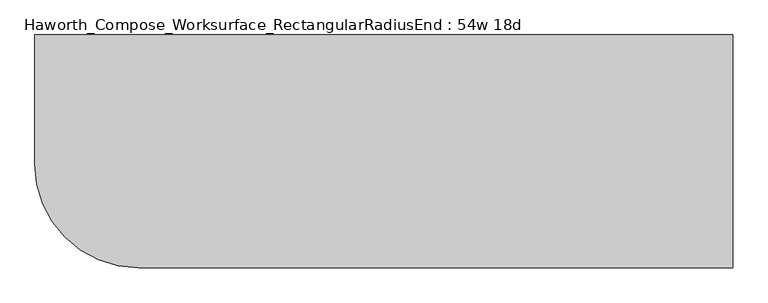
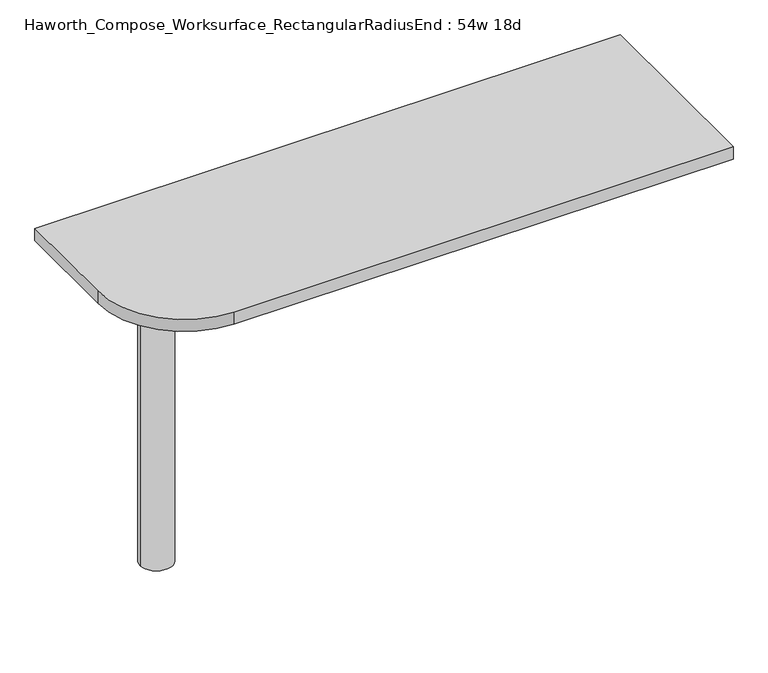
"""IFC4 building model written with IfcOpenShell, lengths in millimetres: furniture geometry, Haworth_Compose_Worksurface_RectangularRadiusEnd : 54w 18d."""

from ifc_helpers import new_model, si_unit, point, frame, frame_2d, origin, place, context, project, spatial, polyline, circle_curve, trimmed, segment, composite_curve, outline, extrude, source, transform, mapped, element, save
from ifc_brep_helpers import plane_surface, cylinder_surface, revolved_surface, advanced_brep


def haworth_compose_worksurface_rectangularradiusend_54w_18d_df62a1b4(model_context):
    return source(origin(), model_context, "Body", "SolidModel", [
        advanced_brep(
        [(680.24375, 228.6, 475.45625), (680.24375, 212.725, 475.45625), (680.24375, -177.8, 691.7192568), (680.24375, -177.8, 704.05625), (680.24375, 212.725, 704.05625), (680.24375, 228.6, 704.05625), (680.24375, 145.290072, 665.95625), (680.24375, 101.6355284, 665.95625), (680.24375, 98.9564235, 656.3705539), (680.24375, 190.6776173, 605.5776439), (680.24375, 200.025, 611.1756969), (680.24375, 200.025, 634.6860246), (680.24375, 198.2730055, 637.5242776), (680.24375, 148.3663437, 665.1613425), (682.625, 228.6, 475.45625), (682.625, 228.6, 704.05625), (682.625, 212.725, 704.05625), (682.625, 212.725, 706.4375), (682.625, -177.8, 706.4375), (682.625, -177.8, 691.7192568), (682.625, 212.725, 475.45625), (682.625, 145.290072, 665.95625), (682.625, 148.3663437, 665.1613425), (682.625, 198.2730055, 637.5242776), (682.625, 200.025, 634.6860246), (682.625, 200.025, 611.1756969), (682.625, 190.6776173, 605.5776439), (682.625, 98.9564235, 656.3705539), (682.625, 101.6355284, 665.95625), (641.35, -177.8, 706.4375), (641.35, -177.8, 704.05625), (641.35, 212.725, 704.05625), (641.35, 212.725, 706.4375)],
        [
            (0, 1),
            (1, 2),
            (2, 3),
            (3, 4),
            (4, 5),
            (5, 0),
            (6, 7),
            (7, 8, circle_curve(frame((680.24375, 101.6355284, 660.7890106), z_axis=(1.0, 0.0, 0.0), x_axis=(0.0, -1.0, 0.0)), 5.1672394)),
            (8, 9),
            (9, 10, circle_curve(frame((680.24375, 193.675, 611.1756969), z_axis=(1.0, 0.0, 0.0), x_axis=(0.0, -1.0, 0.0)), 6.35)),
            (10, 11),
            (11, 12, circle_curve(frame((680.24375, 196.85, 634.6860246), z_axis=(1.0, 0.0, 0.0), x_axis=(0.0, -1.0, 0.0)), 3.175)),
            (12, 13),
            (13, 6, circle_curve(frame((680.24375, 145.290072, 659.60625), z_axis=(1.0, 0.0, 0.0), x_axis=(0.0, -1.0, 0.0)), 6.35)),
            (14, 15),
            (15, 16),
            (16, 17),
            (17, 18),
            (18, 19),
            (19, 20),
            (20, 14),
            (21, 22, circle_curve(frame((682.625, 145.290072, 659.60625), z_axis=(-1.0, 0.0, 0.0), x_axis=(0.0, -1.0, 0.0)), 6.35)),
            (22, 23),
            (23, 24, circle_curve(frame((682.625, 196.85, 634.6860246), z_axis=(-1.0, 0.0, 0.0), x_axis=(0.0, -1.0, 0.0)), 3.175)),
            (24, 25),
            (25, 26, circle_curve(frame((682.625, 193.675, 611.1756969), z_axis=(-1.0, 0.0, 0.0), x_axis=(0.0, -1.0, 0.0)), 6.35)),
            (26, 27),
            (27, 28, circle_curve(frame((682.625, 101.6355284, 660.7890106), z_axis=(-1.0, 0.0, 0.0), x_axis=(0.0, -1.0, 0.0)), 5.1672394)),
            (28, 21),
            (4, 16),
            (15, 5),
            (14, 0),
            (20, 1),
            (19, 2),
            (18, 29),
            (29, 30),
            (30, 3),
            (6, 21),
            (28, 7),
            (9, 26),
            (25, 10),
            (24, 11),
            (23, 12),
            (27, 8),
            (31, 4),
            (30, 31),
            (32, 29),
            (17, 32),
            (31, 32),
            (22, 13),
        ],
        [
            plane_surface(frame((680.24375, 228.6, 475.45625), z_axis=(-1.0, 0.0, 0.0), x_axis=(0.0, 1.0, 0.0))),
            plane_surface(frame((682.625, 228.6, 475.45625), z_axis=(1.0, 0.0, 0.0), x_axis=(0.0, -1.0, 0.0))),
            plane_surface(frame((682.625, -177.8, 704.05625), z_axis=(0.0, 0.0, 1.0), x_axis=(-1.0, 0.0, 0.0))),
            plane_surface(frame((682.625, 228.6, 704.05625), z_axis=(0.0, 1.0, 0.0), x_axis=(-1.0, 0.0, 0.0))),
            plane_surface(frame((682.625, 228.6, 475.45625), z_axis=(0.0, 0.0, -1.0), x_axis=(-1.0, 0.0, 0.0))),
            plane_surface(frame((682.625, 212.725, 475.45625), z_axis=(0.0, -0.48445223513455843, -0.8748177135112952), x_axis=(-1.0, 0.0, 0.0))),
            plane_surface(frame((682.625, -177.8, 691.7192568), z_axis=(0.0, -1.0, 0.0), x_axis=(-1.0, 0.0, 0.0))),
            plane_surface(frame((682.625, 145.290072, 665.95625), z_axis=(0.0, 0.0, -1.0), x_axis=(-1.0, 0.0, 0.0))),
            revolved_surface(polyline([(680.24375, 187.32500000000002, 611.1756969), (682.625, 187.32500000000002, 611.1756969)]), (682.625, 193.675, 611.1756969), (-1.0, 0.0, 0.0)),
            plane_surface(frame((682.625, 200.025, 611.1756969), z_axis=(0.0, -1.0, 0.0), x_axis=(-1.0, 0.0, 0.0))),
            revolved_surface(polyline([(680.24375, 193.67499999999998, 634.6860246), (682.625, 193.67499999999998, 634.6860246)]), (682.625, 196.85, 634.6860246), (-1.0, 0.0, 0.0)),
            revolved_surface(polyline([(680.24375, 96.468289, 660.7890106), (682.625, 96.468289, 660.7890106)]), (682.625, 101.6355284, 660.7890106), (-1.0, 0.0, 0.0)),
            plane_surface(frame((682.625, 212.725, 704.05625), z_axis=(0.0, 0.0, -1.0), x_axis=(-1.0, 0.0, 0.0))),
            plane_surface(frame((682.625, 212.725, 706.4375), z_axis=(0.0, 0.0, 1.0), x_axis=(1.0, 0.0, 0.0))),
            plane_surface(frame((641.35, 212.725, 706.4375), z_axis=(0.0, 1.0, 0.0), x_axis=(0.0, 0.0, -1.0))),
            plane_surface(frame((641.35, -177.8, 706.4375), z_axis=(-1.0, 0.0, 0.0), x_axis=(0.0, 0.0, -1.0))),
            plane_surface(frame((682.625, 98.9564235, 656.3705539), z_axis=(0.0, 0.4844522351345583, 0.8748177135112953), x_axis=(-1.0, 0.0, 0.0))),
            plane_surface(frame((682.625, 198.2730055, 637.5242776), z_axis=(0.0, -0.4844522351345582, -0.8748177135112953), x_axis=(-1.0, 0.0, 0.0))),
            revolved_surface(polyline([(680.24375, 138.94007200000001, 659.60625), (682.625, 138.94007200000001, 659.60625)]), (682.625, 145.290072, 659.60625), (-1.0, 0.0, 0.0)),
        ],
        [
            (0, [[1, 2, 3, 4, 5, 6], [7, 8, 9, 10, 11, 12, 13, 14]]),
            (1, [[15, 16, 17, 18, 19, 20, 21], [22, 23, 24, 25, 26, 27, 28, 29]]),
            (2, [[-5, 30, -16, 31]]),
            (3, [[-31, -15, 32, -6]]),
            (4, [[-32, -21, 33, -1]]),
            (5, [[-33, -20, 34, -2]]),
            (6, [[-34, -19, 35, 36, 37, -3]]),
            (7, [[38, -29, 39, -7]]),
            (8, [[40, -26, 41, -10]]),
            (9, [[-41, -25, 42, -11]]),
            (10, [[-42, -24, 43, -12]]),
            (11, [[-39, -28, 44, -8]]),
            (12, [[45, -4, -37, 46]]),
            (13, [[47, -35, -18, 48]]),
            (14, [[-17, -30, -45, 49, -48]]),
            (15, [[-36, -47, -49, -46]]),
            (16, [[-44, -27, -40, -9]]),
            (17, [[-43, -23, 50, -13]]),
            (18, [[-50, -22, -38, -14]]),
        ],
    ),
        advanced_brep(
        [(-495.3, 0.0, 706.4375), (-571.5, 0.0, 706.4375), (-533.4, 0.0, 706.4375), (-495.3, 0.0, 0.0), (-571.5, 0.0, 0.0), (-533.4, 0.0, 0.0)],
        [
            (0, 1, circle_curve(frame((-533.4, 0.0, 706.4375), z_axis=(0.0, 0.0, 1.0), x_axis=(-1.0, 0.0, 0.0)), 38.1)),
            (1, 2),
            (2, 0),
            (1, 0, circle_curve(frame((-533.4, 0.0, 706.4375), z_axis=(0.0, 0.0, 1.0), x_axis=(-1.0, 0.0, 0.0)), 38.1)),
            (3, 4, circle_curve(frame((-533.4, 0.0, 0.0), z_axis=(0.0, 0.0, 1.0), x_axis=(-1.0, 0.0, 0.0)), 38.1)),
            (4, 1),
            (0, 3),
            (4, 3, circle_curve(frame((-533.4, 0.0, 0.0), z_axis=(0.0, 0.0, 1.0), x_axis=(-1.0, 0.0, 0.0)), 38.1)),
            (5, 4),
            (3, 5),
        ],
        [
            plane_surface(frame((-533.4, 0.0, 706.4375), z_axis=(0.0, 0.0, 1.0), x_axis=(-1.0, 0.0, 0.0))),
            cylinder_surface(frame((-533.4, 0.0, 889.623257), z_axis=(0.0, 0.0, -1.0), x_axis=(-1.0, 0.0, 0.0)), 38.1),
            plane_surface(frame((-533.4, 0.0, 0.0), z_axis=(0.0, 0.0, -1.0), x_axis=(-1.0, 0.0, 0.0))),
        ],
        [
            (0, [[1, 2, 3]]),
            (0, [[4, -3, -2]]),
            (1, [[5, 6, -1, 7]]),
            (1, [[8, -7, -4, -6]]),
            (2, [[9, -5, 10]]),
            (2, [[-10, -8, -9]]),
        ],
    ),
        extrude(outline(composite_curve([segment(polyline([(685.8, 228.6), (685.8, -228.6), (-482.6, -228.6)]), True, "CONTINUOUS"), segment(trimmed(circle_curve(frame_2d((-482.6, -25.4)), 203.2), [point((-482.6, -228.6))], [point((-685.8, -25.4))], False, "CARTESIAN"), True, "CONTINUOUS"), segment(polyline([(-685.8, -25.4), (-685.8, 228.6), (685.8, 228.6)]), True, "CONTINUOUS")], self_intersect=False)), frame((0.0, 0.0, 706.4375), z_axis=(0.0, 0.0, 1.0), x_axis=(1.0, 0.0, 0.0)), (0.0, 0.0, 1.0), 30.1625),
    ])


if __name__ == "__main__":
    model = new_model("IFC4")
    model_context = context("Model", 3, world=origin())
    ifc_project = project(units=[si_unit("LENGTHUNIT", "METRE", prefix="MILLI")], contexts=[model_context])
    site = spatial("IfcSite", under=ifc_project)
    building = spatial("IfcBuilding", under=site)
    placement = place(None, origin())
    haworth_compose_worksurface_rectangularradiusend_54w_18d_shape = haworth_compose_worksurface_rectangularradiusend_54w_18d_df62a1b4(model_context)
    element("IfcFurniture", 1, ObjectType="Haworth_Compose_Worksurface_RectangularRadiusEnd : 54w 18d", at=placement, inside=building, context=model_context, shape_type="MappedRepresentation", body=[
        mapped(haworth_compose_worksurface_rectangularradiusend_54w_18d_shape, transform((0.0, 0.0, 0.0), x_axis=(1.0, 0.0, 0.0), y_axis=(0.0, 1.0, 0.0), z_axis=(0.0, 0.0, 1.0))),
    ])
    save(model, "model.ifc")
